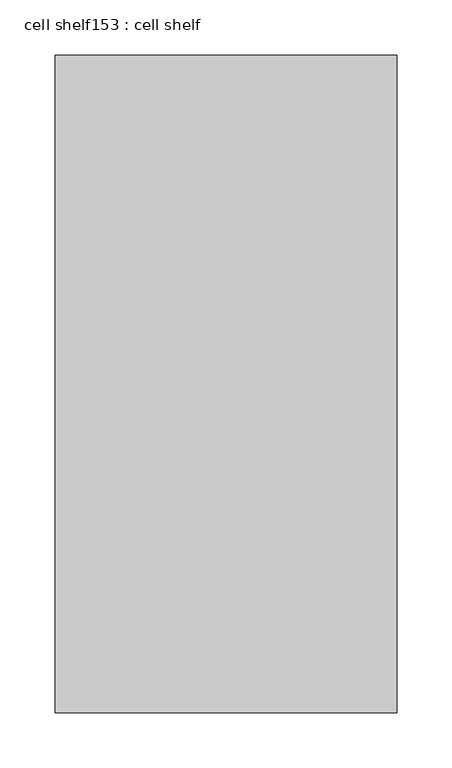
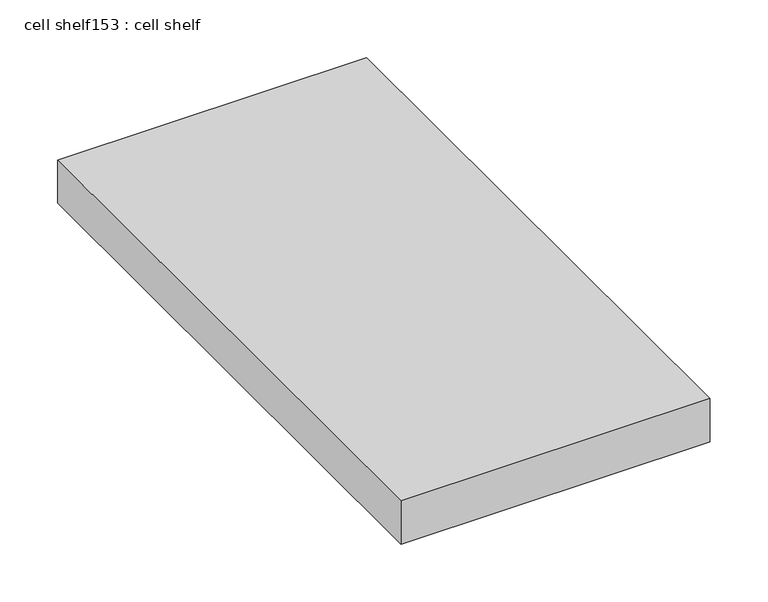
"""IFC4 building model written with IfcOpenShell, lengths in millimetres: proxy geometry, cell shelf153 : cell shelf."""

from ifc_helpers import new_model, si_unit, frame, origin, place, context, project, spatial, polyline, outline, extrude, source, transform, mapped, element, save


def cell_shelf153_cell_shelf_90f191c6(model_context):
    return source(origin(), model_context, "Body", "SweptSolid", [
        extrude(outline(polyline([(-133687.9451094, -72014.3928685), (-133687.9451094, -72609.4792641), (-133997.2929059, -72609.4792641), (-133997.2929059, -72014.3928685), (-133687.9451094, -72014.3928685)])), frame((0.0, 0.0, 1320.0941517), z_axis=(0.0, 0.0, 1.0), x_axis=(1.0, 0.0, 0.0)), (0.0, 0.0, 1.0), 45.8133004),
    ])


if __name__ == "__main__":
    model = new_model("IFC4")
    model_context = context("Model", 3, world=origin())
    ifc_project = project(units=[si_unit("LENGTHUNIT", "METRE", prefix="MILLI")], contexts=[model_context])
    site = spatial("IfcSite", under=ifc_project)
    building = spatial("IfcBuilding", under=site)
    placement = place(None, origin())
    cell_shelf153_cell_shelf_shape = cell_shelf153_cell_shelf_90f191c6(model_context)
    element("IfcBuildingElementProxy", 1, Name="cell shelf153 : cell shelf", ObjectType="cell shelf153 : cell shelf", at=placement, inside=building, context=model_context, shape_type="MappedRepresentation", body=[
        mapped(cell_shelf153_cell_shelf_shape, transform((0.0, 0.0, 0.0), x_axis=(1.0, 0.0, 0.0), y_axis=(0.0, 1.0, 0.0), z_axis=(0.0, 0.0, 1.0))),
    ])
    save(model, "model.ifc")
